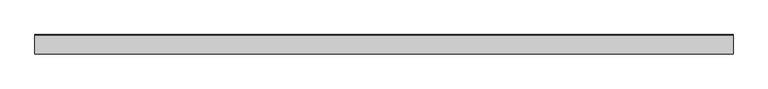
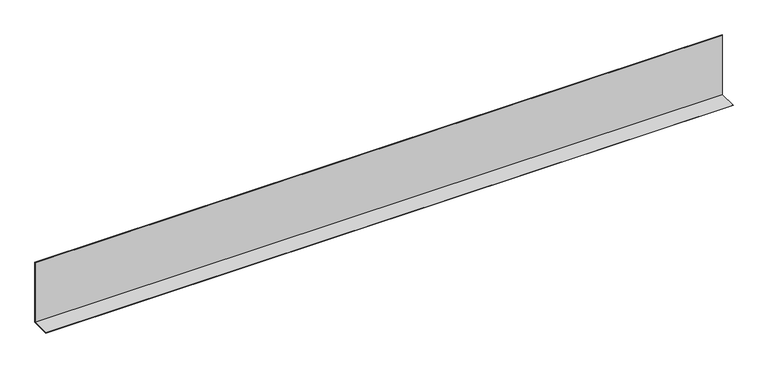
"""IFC4 building model written with IfcOpenShell, lengths in millimetres: proxy geometry."""

from ifc_helpers import new_model, si_unit, frame, origin, place, context, project, spatial, polyline, outline, extrude, source, transform, mapped, element, save


def generic_models_8aaffad6(model_context):
    return source(origin(), model_context, "Body", "SweptSolid", [
        extrude(outline(polyline([(0.0, 200.0), (0.0, 0.0), (-60.0, 0.0), (-60.0, 1.0), (-1.0, 1.0), (-1.0, 200.0), (0.0, 200.0)])), frame((0.0, 0.0, 0.0), z_axis=(1.0, 0.0, 0.0), x_axis=(0.0, 1.0, 0.0)), (0.0, 0.0, 1.0), 2177.4005549),
        extrude(outline(polyline([(0.0, 200.0), (0.0, 0.0), (-60.0, 0.0), (-60.0, 1.0), (-1.0, 1.0), (-1.0, 200.0), (0.0, 200.0)])), frame((0.0, 0.0, 0.0), z_axis=(1.0, 0.0, 0.0), x_axis=(0.0, 1.0, 0.0)), (0.0, 0.0, 1.0), 2177.4005549),
    ])


if __name__ == "__main__":
    model = new_model("IFC4")
    model_context = context("Model", 3, world=origin())
    ifc_project = project(units=[si_unit("LENGTHUNIT", "METRE", prefix="MILLI")], contexts=[model_context])
    site = spatial("IfcSite", under=ifc_project)
    building = spatial("IfcBuilding", under=site)
    placement = place(None, origin())
    generic_models_shape = generic_models_8aaffad6(model_context)
    element("IfcBuildingElementProxy", 1, Name="Generic Models", at=placement, inside=building, context=model_context, shape_type="MappedRepresentation", body=[
        mapped(generic_models_shape, transform((0.0, 0.0, 0.0), x_axis=(1.0, 0.0, 0.0), y_axis=(0.0, 1.0, 0.0), z_axis=(0.0, 0.0, 1.0))),
    ])
    save(model, "model.ifc")
